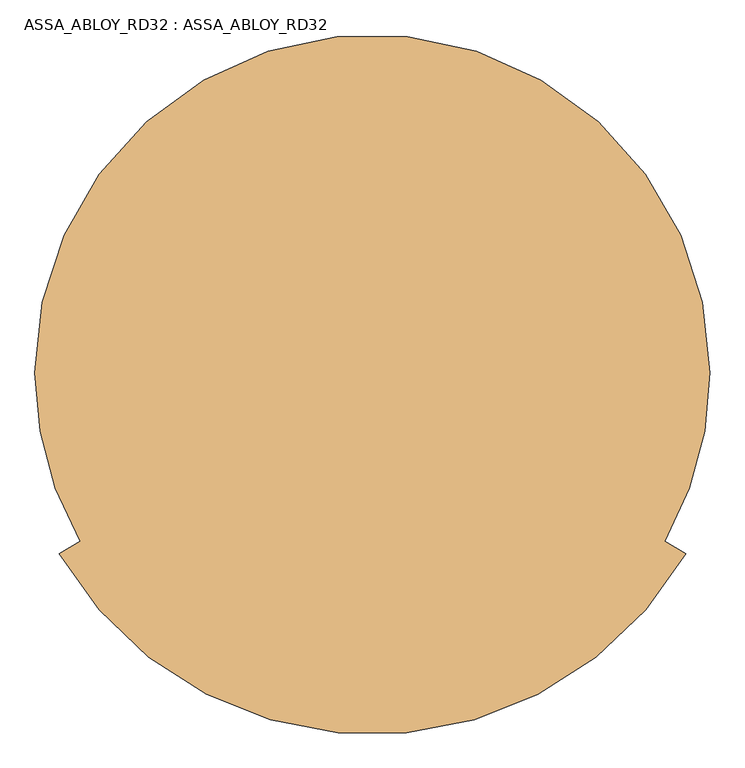
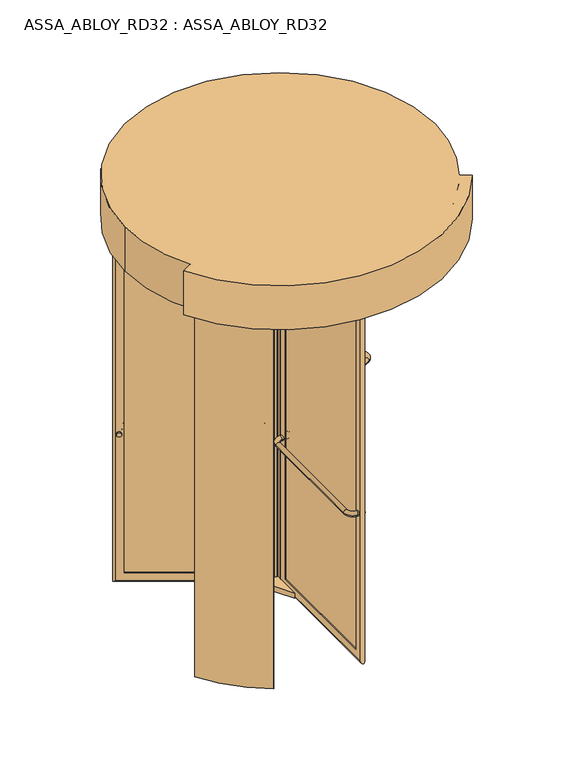
"""IFC4 building model written with IfcOpenShell, lengths in millimetres: door geometry, ASSA_ABLOY_RD32 : ASSA_ABLOY_RD32."""

from ifc_helpers import new_model, si_unit, point, frame, frame_2d, origin, origin_with_axes, origin_2d, place, context, project, spatial, polyline, circle_curve, ellipse_curve, trimmed, segment, composite_curve, outline, extrude, source, transform, mapped, element, save
from ifc_brep_helpers import plane_surface, cylinder_surface, revolved_surface, advanced_brep


def assa_abloy_rd32_assa_abloy_rd32_732df1ab(model_context):
    return source(origin(), model_context, "Body", "SolidModel", [
        advanced_brep(
        [(1125.0, 0.0, 2800.0), (-875.0, 0.0, 2800.0), (-741.0254038, -500.0, 2800.0), (-803.3792329, -536.0, 2800.0), (1053.3792329, -536.0, 2800.0), (991.0254038, -500.0, 2800.0), (-875.0, 0.0, 2500.0), (1125.0, 0.0, 2500.0), (991.0254038, -500.0, 2785.0), (-741.0254038, -500.0, 2785.0), (1053.3792329, -536.0, 2500.0), (1042.986928, -530.0, 2500.0), (1042.986928, -530.0, 2785.0), (-792.986928, -530.0, 2785.0), (-792.986928, -530.0, 2500.0), (-803.3792329, -536.0, 2500.0)],
        [
            (0, 1, circle_curve(frame((125.0, 0.0, 2800.0), z_axis=(0.0, 0.0, 1.0), x_axis=(1.0, 0.0, 0.0)), 1000.0)),
            (1, 2, circle_curve(frame((125.0, 0.0, 2800.0), z_axis=(0.0, 0.0, 1.0), x_axis=(1.0, 0.0, 0.0)), 1000.0)),
            (2, 3),
            (3, 4, circle_curve(frame((125.0, 0.0, 2800.0), z_axis=(0.0, 0.0, 1.0), x_axis=(0.8660254037844377, -0.5000000000000016, 0.0)), 1072.0)),
            (4, 5),
            (5, 0, circle_curve(frame((125.0, 0.0, 2800.0), z_axis=(0.0, 0.0, 1.0), x_axis=(1.0, 0.0, 0.0)), 1000.0)),
            (6, 7, circle_curve(frame((125.0, 0.0, 2500.0), z_axis=(0.0, 0.0, -1.0), x_axis=(1.0, 0.0, 0.0)), 1000.0)),
            (7, 6, circle_curve(frame((125.0, 0.0, 2500.0), z_axis=(0.0, 0.0, -1.0), x_axis=(1.0, 0.0, 0.0)), 1000.0)),
            (0, 7),
            (6, 1),
            (5, 8),
            (8, 9, circle_curve(frame((125.0, 0.0, 2785.0), z_axis=(0.0, 0.0, -1.0), x_axis=(1.0, 0.0, 0.0)), 1000.0)),
            (9, 2),
            (4, 10),
            (10, 11),
            (11, 12),
            (12, 8),
            (13, 14),
            (14, 15),
            (15, 3),
            (9, 13),
            (15, 10, circle_curve(frame((125.0, 0.0, 2500.0), z_axis=(0.0, 0.0, 1.0), x_axis=(0.8660254037844377, -0.5000000000000016, 0.0)), 1072.0)),
            (14, 11, circle_curve(frame((125.0, 0.0, 2500.0), z_axis=(0.0, 0.0, 1.0), x_axis=(0.8660254037844377, -0.5000000000000016, 0.0)), 1060.0)),
            (13, 12, circle_curve(frame((125.0, 0.0, 2785.0), z_axis=(0.0, 0.0, 1.0), x_axis=(0.8660254037844377, -0.5000000000000016, 0.0)), 1060.0)),
        ],
        [
            plane_surface(frame((1125.0, 0.0, 2800.0), z_axis=(0.0, 0.0, 1.0), x_axis=(0.0, 1.0, 0.0))),
            plane_surface(frame((1125.0, 0.0, 2500.0), z_axis=(0.0, 0.0, -1.0), x_axis=(0.0, -1.0, 0.0))),
            cylinder_surface(frame((125.0, 0.0, 2500.0), z_axis=(0.0, 0.0, 1.0), x_axis=(1.0, 0.0, 0.0)), 1000.0),
            plane_surface(frame((988.4273276, -498.5, 2800.0), z_axis=(0.5000000000000017, 0.8660254037844378, 0.0), x_axis=(0.0, 0.0, 1.0))),
            plane_surface(frame((-738.4273276, -498.5, 2800.0), z_axis=(-0.5000000000000142, 0.8660254037844305, 0.0), x_axis=(0.0, 0.0, 1.0))),
            cylinder_surface(frame((125.0, 0.0, 2800.0), z_axis=(0.0, 0.0, -1.0), x_axis=(0.8660254037844377, -0.5000000000000016, 0.0)), 1072.0),
            plane_surface(frame((125.0, 0.0, 2500.0), z_axis=(0.0, 0.0, -1.0000000000000002), x_axis=(0.8660254037844378, -0.5000000000000017, 0.0))),
            revolved_surface(polyline([(1042.986928011504, -530.0000000000016, 2500.0), (1042.986928011504, -530.0000000000016, 2785.0)]), (125.0, 0.0, 2800.0), (0.0, 0.0, -1.0)),
            plane_surface(frame((125.0, 0.0, 2785.0), z_axis=(0.0, 0.0, -1.0000000000000002), x_axis=(0.8660254037844378, -0.5000000000000017, 0.0))),
        ],
        [
            (0, [[1, 2, 3, 4, 5, 6]]),
            (1, [[7, 8]]),
            (2, [[-1, 9, -7, 10]]),
            (2, [[-8, -9, -6, 11, 12, 13, -2, -10]]),
            (3, [[14, 15, 16, 17, -11, -5]]),
            (4, [[18, 19, 20, -3, -13, 21]]),
            (5, [[-14, -4, -20, 22]]),
            (6, [[-15, -22, -19, 23]]),
            (7, [[-16, -23, -18, 24]]),
            (8, [[-24, -21, -12, -17]]),
        ],
    ),
        extrude(outline(composite_curve([segment(trimmed(circle_curve(origin_2d(), 15.0), [point((0.0, 15.0))], [point((0.0, -15.0))], False, "CARTESIAN"), True, "CONTINUOUS"), segment(trimmed(circle_curve(origin_2d(), 15.0), [point((0.0, -15.0))], [point((0.0, 15.0))], False, "CARTESIAN"), True, "CONTINUOUS")], self_intersect=False)), frame((894.6319669, 459.3583302, 1050.0), z_axis=(-0.4999999999999966, 0.8660254037844406, 0.0), x_axis=(0.0, 0.0, 1.0)), (0.0, 0.0, 1.0), 10.0),
        extrude(outline(composite_curve([segment(trimmed(circle_curve(origin_2d(), 15.0), [point((0.0, 15.0))], [point((0.0, -15.0))], False, "CARTESIAN"), True, "CONTINUOUS"), segment(trimmed(circle_curve(origin_2d(), 15.0), [point((0.0, -15.0))], [point((0.0, 15.0))], False, "CARTESIAN"), True, "CONTINUOUS")], self_intersect=False)), frame((163.533321, 37.2583302, 1050.0), z_axis=(-0.4999999999999966, 0.8660254037844406, 0.0), x_axis=(0.0, 0.0, 1.0)), (0.0, 0.0, 1.0), 10.0),
        advanced_brep(
        [(163.5429399, 7.2416698, 1050.0), (189.5237021, 22.2416698, 1050.0), (168.5429399, -1.4185843, 1050.0), (194.5237021, 13.5814157, 1050.0), (235.5044642, 2.6006536, 1050.0), (250.5044642, -23.3801085, 1050.0), (903.6608237, 353.7198915, 1050.0), (888.6608237, 379.7006536, 1050.0), (899.6415858, 420.6814157, 1050.0), (925.6223479, 435.6814157, 1050.0), (920.6223479, 444.3416698, 1050.0), (894.6415858, 429.3416698, 1050.0)],
        [
            (0, 1, circle_curve(frame((176.533321, 14.7416698, 1050.0), z_axis=(-0.4999999999999966, 0.8660254037844406, 0.0), x_axis=(0.8660254037844406, 0.4999999999999966, 0.0)), 15.0)),
            (1, 0, circle_curve(frame((176.533321, 14.7416698, 1050.0), z_axis=(-0.4999999999999966, 0.8660254037844406, 0.0), x_axis=(0.8660254037844406, 0.4999999999999966, 0.0)), 15.0)),
            (0, 2),
            (2, 3, circle_curve(frame((181.533321, 6.0814157, 1050.0), z_axis=(-0.4999999999999966, 0.8660254037844406, 0.0), x_axis=(0.8660254037844406, 0.4999999999999966, 0.0)), 15.0)),
            (3, 1),
            (3, 2, circle_curve(frame((181.533321, 6.0814157, 1050.0), z_axis=(-0.4999999999999966, 0.8660254037844406, 0.0), x_axis=(0.8660254037844406, 0.4999999999999966, 0.0)), 15.0)),
            (4, 3, circle_curve(frame((220.5044642, 28.5814157, 1050.0), z_axis=(0.0, 0.0, -1.0), x_axis=(-0.8660254037844438, -0.499999999999991, 0.0)), 30.0)),
            (2, 5, circle_curve(frame((220.5044642, 28.5814157, 1050.0), z_axis=(0.0, 0.0, 1.0), x_axis=(-0.8660254037844438, -0.499999999999991, 0.0)), 60.0)),
            (5, 4, circle_curve(frame((243.0044642, -10.3897275, 1050.0), z_axis=(-0.8660254037844638, -0.49999999999995637, 0.0), x_axis=(-0.49999999999995637, 0.8660254037844638, 0.0)), 15.0)),
            (4, 5, circle_curve(frame((243.0044642, -10.3897275, 1050.0), z_axis=(-0.866025403784482, -0.4999999999999248, 0.0), x_axis=(-0.4999999999999248, 0.866025403784482, 0.0)), 15.0)),
            (5, 6),
            (6, 7, circle_curve(frame((896.1608237, 366.7102725, 1050.0), z_axis=(-0.8660254037844406, -0.4999999999999966, 0.0), x_axis=(-0.4999999999999966, 0.8660254037844406, 0.0)), 15.0)),
            (7, 4),
            (7, 6, circle_curve(frame((896.1608237, 366.7102725, 1050.0), z_axis=(-0.8660254037844406, -0.4999999999999966, 0.0), x_axis=(-0.4999999999999966, 0.8660254037844406, 0.0)), 15.0)),
            (8, 7, circle_curve(frame((873.6608237, 405.6814157, 1050.0), z_axis=(0.0, 0.0, -1.0), x_axis=(0.4999999999999914, -0.8660254037844436, 0.0)), 30.0)),
            (6, 9, circle_curve(frame((873.6608237, 405.6814157, 1050.0), z_axis=(0.0, 0.0, 1.0), x_axis=(0.4999999999999914, -0.8660254037844436, 0.0)), 60.0)),
            (9, 8, circle_curve(frame((912.6319669, 428.1814157, 1050.0), z_axis=(0.4999999999999946, -0.8660254037844417, 0.0), x_axis=(-0.8660254037844417, -0.4999999999999946, 0.0)), 15.0)),
            (8, 9, circle_curve(frame((912.6319669, 428.1814157, 1050.0), z_axis=(0.4999999999999925, -0.8660254037844429, 0.0), x_axis=(-0.8660254037844429, -0.4999999999999925, 0.0)), 15.0)),
            (10, 11, circle_curve(frame((907.6319669, 436.8416698, 1050.0), z_axis=(-0.4999999999999966, 0.8660254037844406, 0.0), x_axis=(-0.8660254037844406, -0.4999999999999966, 0.0)), 15.0)),
            (11, 10, circle_curve(frame((907.6319669, 436.8416698, 1050.0), z_axis=(-0.4999999999999966, 0.8660254037844406, 0.0), x_axis=(-0.8660254037844406, -0.4999999999999966, 0.0)), 15.0)),
            (9, 10),
            (11, 8),
        ],
        [
            plane_surface(frame((176.533321, 14.7416698, 1050.0), z_axis=(-0.4999999999999966, 0.8660254037844406, 0.0), x_axis=(0.0, 0.0, 1.0))),
            cylinder_surface(frame((176.533321, 14.7416698, 1050.0), z_axis=(-0.4999999999999966, 0.8660254037844406, 0.0), x_axis=(0.8660254037844406, 0.4999999999999966, 0.0)), 15.0),
            revolved_surface(trimmed(ellipse_curve(frame((181.533321, 6.0814157, 1050.0), z_axis=(-0.499999999999991, 0.8660254037844438, 0.0), x_axis=(0.8660254037844438, 0.499999999999991, 0.0)), 15.0, 15.0), [point((168.5429399, -1.4185843, 1050.0))], [point((194.5237021, 13.5814157, 1050.0))], True, "CARTESIAN"), (220.5044642, 28.5814157, 1050.0), (0.0, 0.0, 1.0)),
            revolved_surface(trimmed(ellipse_curve(frame((181.533321, 6.0814157, 1050.0), z_axis=(-0.499999999999991, 0.8660254037844438, 0.0), x_axis=(0.8660254037844438, 0.499999999999991, 0.0)), 15.0, 15.0), [point((194.5237021, 13.5814157, 1050.0))], [point((168.5429399, -1.4185843, 1050.0))], True, "CARTESIAN"), (220.5044642, 28.5814157, 1050.0), (0.0, 0.0, 1.0)),
            cylinder_surface(frame((243.0044642, -10.3897275, 1050.0), z_axis=(-0.8660254037844406, -0.4999999999999966, 0.0), x_axis=(-0.4999999999999966, 0.8660254037844406, 0.0)), 15.0),
            revolved_surface(trimmed(ellipse_curve(frame((896.1608237, 366.7102725, 1050.0), z_axis=(-0.8660254037844436, -0.4999999999999914, 0.0), x_axis=(-0.4999999999999914, 0.8660254037844436, 0.0)), 15.0, 15.0), [point((903.6608237, 353.7198915, 1050.0))], [point((888.6608237, 379.7006536, 1050.0))], True, "CARTESIAN"), (873.6608237, 405.6814157, 1050.0), (0.0, 0.0, 1.0)),
            revolved_surface(trimmed(ellipse_curve(frame((896.1608237, 366.7102725, 1050.0), z_axis=(-0.8660254037844436, -0.4999999999999914, 0.0), x_axis=(-0.4999999999999914, 0.8660254037844436, 0.0)), 15.0, 15.0), [point((888.6608237, 379.7006536, 1050.0))], [point((903.6608237, 353.7198915, 1050.0))], True, "CARTESIAN"), (873.6608237, 405.6814157, 1050.0), (0.0, 0.0, 1.0)),
            plane_surface(frame((907.6319669, 436.8416698, 1050.0), z_axis=(-0.4999999999999966, 0.8660254037844406, 0.0), x_axis=(0.0, 0.0, 1.0))),
            cylinder_surface(frame((912.6319669, 428.1814157, 1050.0), z_axis=(0.4999999999999966, -0.8660254037844406, 0.0), x_axis=(-0.8660254037844406, -0.4999999999999966, 0.0)), 15.0),
        ],
        [
            (0, [[1, 2]]),
            (1, [[-1, 3, 4, 5]]),
            (1, [[-2, -5, 6, -3]]),
            (2, [[7, -4, 8, 9]]),
            (3, [[-8, -6, -7, 10]]),
            (4, [[-9, 11, 12, 13]]),
            (4, [[-10, -13, 14, -11]]),
            (5, [[15, -12, 16, 17]]),
            (6, [[-16, -14, -15, 18]]),
            (7, [[19, 20]]),
            (8, [[-17, 21, -20, 22]]),
            (8, [[-18, -22, -19, -21]]),
        ],
    ),
        advanced_brep(
        [(881.0172302, 424.939746, 105.0), (882.5172302, 422.3416698, 105.0), (882.5172302, 422.3416698, 2395.0), (881.0172302, 424.939746, 2395.0), (888.3377382, 452.260254, 85.0), (898.3377382, 434.939746, 85.0), (898.3377382, 434.939746, 2415.0), (888.3377382, 452.260254, 2415.0), (869.5172302, 444.8583302, 105.0), (871.0172302, 442.260254, 105.0), (871.0172302, 442.260254, 2395.0), (869.5172302, 444.8583302, 2395.0), (927.5505512, 448.3416698, 53.0), (914.5505512, 470.8583302, 53.0), (914.5505512, 470.8583302, 2447.0), (927.5505512, 448.3416698, 2447.0), (201.6480577, 29.2416698, 2395.0), (200.1480577, 31.839746, 2395.0), (182.8275496, 21.839746, 2415.0), (172.8275496, 39.160254, 2415.0), (190.1480577, 49.160254, 2395.0), (188.6480577, 51.7583302, 2395.0), (143.6147367, 25.7583302, 2447.0), (156.6147367, 3.2416698, 2447.0), (201.6480577, 29.2416698, 105.0), (200.1480577, 31.839746, 105.0), (182.8275496, 21.839746, 85.0), (172.8275496, 39.160254, 85.0), (190.1480577, 49.160254, 105.0), (188.6480577, 51.7583302, 105.0), (143.6147367, 25.7583302, 53.0), (156.6147367, 3.2416698, 53.0)],
        [
            (0, 1),
            (1, 2),
            (2, 3),
            (3, 0),
            (4, 5),
            (5, 6),
            (6, 7),
            (7, 4),
            (8, 9),
            (9, 10),
            (10, 11),
            (11, 8),
            (12, 13, ellipse_curve(frame((921.0505512, 459.6, 53.0), z_axis=(0.6123724356958007, 0.35355339059326285, 0.7071067811865475), x_axis=(0.6123724356957908, 0.3535533905932797, -0.7071067811865477)), 18.3847763, 13.0)),
            (13, 14),
            (14, 15, ellipse_curve(frame((921.0505512, 459.6, 2447.0), z_axis=(0.612372435695791, 0.3535533905932798, -0.7071067811865475), x_axis=(-0.6123724356958007, -0.3535533905932628, -0.7071067811865476)), 18.3847763, 13.0)),
            (15, 12),
            (2, 16),
            (16, 17),
            (17, 3),
            (6, 18),
            (18, 19),
            (19, 7),
            (10, 20),
            (20, 21),
            (21, 11),
            (14, 22),
            (22, 23, ellipse_curve(frame((150.1147367, 14.5, 2447.0), z_axis=(0.6123724356958007, 0.35355339059326285, 0.7071067811865475), x_axis=(0.6123724356957913, 0.35355339059327995, -0.7071067811865472)), 18.3847763, 13.0)),
            (23, 15),
            (16, 24),
            (24, 25),
            (25, 17),
            (18, 26),
            (26, 27),
            (27, 19),
            (20, 28),
            (28, 29),
            (29, 21),
            (22, 30),
            (30, 31, ellipse_curve(frame((150.1147367, 14.5, 53.0), z_axis=(-0.612372435695791, -0.3535533905932798, 0.7071067811865475), x_axis=(0.6123724356958007, 0.3535533905932628, 0.7071067811865476)), 18.3847763, 13.0)),
            (31, 23),
            (24, 1),
            (0, 25),
            (5, 26),
            (4, 27),
            (9, 28),
            (8, 29),
            (13, 30),
            (12, 31),
        ],
        [
            plane_surface(frame((882.5172302, 422.3416698, 105.0), z_axis=(-0.8660254037844419, -0.49999999999999445, 0.0), x_axis=(0.0, 0.0, 1.0))),
            plane_surface(frame((898.3377382, 434.939746, 85.0), z_axis=(-0.8660254037844408, -0.4999999999999964, 0.0), x_axis=(0.0, 0.0, 1.0))),
            plane_surface(frame((871.0172302, 442.260254, 105.0), z_axis=(-0.8660254037844419, -0.49999999999999445, 0.0), x_axis=(0.0, 0.0, 1.0))),
            cylinder_surface(frame((921.0505512, 459.6, 40.0), z_axis=(0.0, 0.0, -1.0), x_axis=(-0.8660254037844406, -0.4999999999999966, 0.0)), 13.0),
            plane_surface(frame((882.5172302, 422.3416698, 2395.0), z_axis=(0.0, 0.0, -1.0), x_axis=(-0.8660254037844406, -0.4999999999999966, 0.0))),
            plane_surface(frame((898.3377382, 434.939746, 2415.0), z_axis=(0.0, 0.0, -1.0), x_axis=(-0.8660254037844406, -0.4999999999999966, 0.0))),
            plane_surface(frame((871.0172302, 442.260254, 2395.0), z_axis=(0.0, 0.0, -1.0), x_axis=(-0.8660254037844406, -0.4999999999999966, 0.0))),
            cylinder_surface(frame((932.3088814, 466.1, 2447.0), z_axis=(0.8660254037844406, 0.4999999999999966, 0.0), x_axis=(0.0, 0.0, -1.0)), 13.0),
            plane_surface(frame((201.6480577, 29.2416698, 2395.0), z_axis=(0.8660254037844394, 0.49999999999999883, 0.0), x_axis=(0.0, 0.0, -1.0))),
            plane_surface(frame((182.8275496, 21.839746, 2415.0), z_axis=(0.8660254037844405, 0.4999999999999969, 0.0), x_axis=(0.0, 0.0, -1.0))),
            plane_surface(frame((190.1480577, 49.160254, 2395.0), z_axis=(0.8660254037844394, 0.49999999999999883, 0.0), x_axis=(0.0, 0.0, -1.0))),
            cylinder_surface(frame((150.1147367, 14.5, 2460.0), z_axis=(0.0, 0.0, 1.0), x_axis=(0.8660254037844406, 0.4999999999999966, 0.0)), 13.0),
            plane_surface(frame((201.6480577, 29.2416698, 105.0), z_axis=(0.0, 0.0, 1.0), x_axis=(0.8660254037844406, 0.4999999999999966, 0.0))),
            plane_surface(frame((200.1480577, 31.839746, 105.0), z_axis=(-0.4999999999999966, 0.8660254037844406, 0.0), x_axis=(0.8660254037844406, 0.4999999999999966, 0.0))),
            plane_surface(frame((182.8275496, 21.839746, 85.0), z_axis=(0.0, 0.0, 1.0), x_axis=(0.8660254037844406, 0.4999999999999966, 0.0))),
            plane_surface(frame((172.8275496, 39.160254, 85.0), z_axis=(0.4999999999999966, -0.8660254037844406, 0.0), x_axis=(0.8660254037844406, 0.4999999999999966, 0.0))),
            plane_surface(frame((190.1480577, 49.160254, 105.0), z_axis=(0.0, 0.0, 1.0), x_axis=(0.8660254037844406, 0.4999999999999966, 0.0))),
            plane_surface(frame((188.6480577, 51.7583302, 105.0), z_axis=(-0.4999999999999966, 0.8660254037844406, 0.0), x_axis=(0.8660254037844406, 0.4999999999999966, 0.0))),
            cylinder_surface(frame((138.8564065, 8.0, 53.0), z_axis=(-0.8660254037844406, -0.4999999999999966, 0.0), x_axis=(0.0, 0.0, 1.0)), 13.0),
            plane_surface(frame((156.6147367, 3.2416698, 53.0), z_axis=(0.4999999999999966, -0.8660254037844406, 0.0), x_axis=(0.8660254037844406, 0.4999999999999966, 0.0))),
        ],
        [
            (0, [[1, 2, 3, 4]]),
            (1, [[5, 6, 7, 8]]),
            (2, [[9, 10, 11, 12]]),
            (3, [[13, 14, 15, 16]]),
            (4, [[-3, 17, 18, 19]]),
            (5, [[-7, 20, 21, 22]]),
            (6, [[-11, 23, 24, 25]]),
            (7, [[-15, 26, 27, 28]]),
            (8, [[-18, 29, 30, 31]]),
            (9, [[-21, 32, 33, 34]]),
            (10, [[-24, 35, 36, 37]]),
            (11, [[-27, 38, 39, 40]]),
            (12, [[-30, 41, -1, 42]]),
            (13, [[43, -32, -20, -6], [-19, -31, -42, -4]]),
            (14, [[-33, -43, -5, 44]]),
            (15, [[-22, -34, -44, -8], [45, -35, -23, -10]]),
            (16, [[-36, -45, -9, 46]]),
            (17, [[47, -38, -26, -14], [-25, -37, -46, -12]]),
            (18, [[-39, -47, -13, 48]]),
            (19, [[-28, -40, -48, -16], [-41, -29, -17, -2]]),
        ],
    ),
        extrude(outline(polyline([(890.8377382, 447.930127), (895.8377382, 439.269873), (180.3275496, 26.169873), (175.3275496, 34.830127), (890.8377382, 447.930127)])), frame((0.0, 0.0, 85.0), z_axis=(0.0, 0.0, 1.0), x_axis=(1.0, 0.0, 0.0)), (0.0, 0.0, 1.0), 2330.0),
        extrude(outline(composite_curve([segment(trimmed(circle_curve(origin_2d(), 15.0), [point((0.0, -15.0))], [point((0.0, 15.0))], False, "CARTESIAN"), True, "CONTINUOUS"), segment(trimmed(circle_curve(origin_2d(), 15.0), [point((0.0, 15.0))], [point((0.0, -15.0))], False, "CARTESIAN"), True, "CONTINUOUS")], self_intersect=False)), frame((-662.6319669, 428.1814157, 1050.0), z_axis=(0.49999999999999417, 0.866025403784442, 0.0), x_axis=(0.0, 0.0, 1.0)), (0.0, 0.0, 1.0), 10.0),
        extrude(outline(composite_curve([segment(trimmed(circle_curve(origin_2d(), 15.0), [point((0.0, -15.0))], [point((0.0, 15.0))], False, "CARTESIAN"), True, "CONTINUOUS"), segment(trimmed(circle_curve(origin_2d(), 15.0), [point((0.0, 15.0))], [point((0.0, -15.0))], False, "CARTESIAN"), True, "CONTINUOUS")], self_intersect=False)), frame((68.466679, 6.0814157, 1050.0), z_axis=(0.49999999999999417, 0.866025403784442, 0.0), x_axis=(0.0, 0.0, 1.0)), (0.0, 0.0, 1.0), 10.0),
        advanced_brep(
        [(99.4570601, 29.7583302, 1050.0), (73.4762979, 44.7583302, 1050.0), (104.4570601, 38.4185843, 1050.0), (78.4762979, 53.4185843, 1050.0), (67.4955358, 94.3993464, 1050.0), (82.4955358, 120.3801085, 1050.0), (-570.6608237, 497.4801085, 1050.0), (-585.6608237, 471.4993464, 1050.0), (-626.6415858, 460.5185843, 1050.0), (-652.6223479, 475.5185843, 1050.0), (-657.6223479, 466.8583302, 1050.0), (-631.6415858, 451.8583302, 1050.0)],
        [
            (0, 1, circle_curve(frame((86.466679, 37.2583302, 1050.0), z_axis=(-0.49999999999999417, -0.866025403784442, 0.0), x_axis=(-0.8660254037844415, 0.49999999999999384, 0.0)), 15.0)),
            (1, 0, circle_curve(frame((86.466679, 37.2583302, 1050.0), z_axis=(-0.49999999999999417, -0.866025403784442, 0.0), x_axis=(-0.8660254037844415, 0.49999999999999384, 0.0)), 15.0)),
            (0, 2),
            (2, 3, circle_curve(frame((91.466679, 45.9185843, 1050.0), z_axis=(-0.49999999999999417, -0.866025403784442, 0.0), x_axis=(-0.8660254037844415, 0.49999999999999384, 0.0)), 15.0)),
            (3, 1),
            (3, 2, circle_curve(frame((91.466679, 45.9185843, 1050.0), z_axis=(-0.49999999999999417, -0.866025403784442, 0.0), x_axis=(-0.8660254037844415, 0.49999999999999384, 0.0)), 15.0)),
            (4, 3, circle_curve(frame((52.4955358, 68.4185843, 1050.0), z_axis=(0.0, 0.0, -1.0), x_axis=(0.8660254037844383, -0.49999999999999944, 0.0)), 30.0)),
            (2, 5, circle_curve(frame((52.4955358, 68.4185843, 1050.0), z_axis=(0.0, 0.0, 1.0), x_axis=(0.8660254037844383, -0.49999999999999944, 0.0)), 60.0)),
            (5, 4, circle_curve(frame((74.9955358, 107.3897275, 1050.0), z_axis=(0.8660254037844182, -0.5000000000000342, 0.0), x_axis=(-0.5000000000000342, -0.8660254037844182, 0.0)), 15.0)),
            (4, 5, circle_curve(frame((74.9955358, 107.3897275, 1050.0), z_axis=(0.8660254037844, -0.5000000000000657, 0.0), x_axis=(-0.5000000000000657, -0.8660254037844, 0.0)), 15.0)),
            (5, 6),
            (6, 7, circle_curve(frame((-578.1608237, 484.4897275, 1050.0), z_axis=(0.866025403784442, -0.49999999999999417, 0.0), x_axis=(-0.49999999999999384, -0.8660254037844415, 0.0)), 15.0)),
            (7, 4),
            (7, 6, circle_curve(frame((-578.1608237, 484.4897275, 1050.0), z_axis=(0.866025403784442, -0.49999999999999417, 0.0), x_axis=(-0.49999999999999384, -0.8660254037844415, 0.0)), 15.0)),
            (8, 7, circle_curve(frame((-600.6608237, 445.5185843, 1050.0), z_axis=(0.0, 0.0, -1.0), x_axis=(0.49999999999999906, 0.8660254037844385, 0.0)), 30.0)),
            (6, 9, circle_curve(frame((-600.6608237, 445.5185843, 1050.0), z_axis=(0.0, 0.0, 1.0), x_axis=(0.49999999999999906, 0.8660254037844385, 0.0)), 60.0)),
            (9, 8, circle_curve(frame((-639.6319669, 468.0185843, 1050.0), z_axis=(0.49999999999999584, 0.8660254037844404, 0.0), x_axis=(0.8660254037844404, -0.49999999999999584, 0.0)), 15.0)),
            (8, 9, circle_curve(frame((-639.6319669, 468.0185843, 1050.0), z_axis=(0.49999999999999795, 0.8660254037844392, 0.0), x_axis=(0.8660254037844392, -0.49999999999999795, 0.0)), 15.0)),
            (10, 11, circle_curve(frame((-644.6319669, 459.3583302, 1050.0), z_axis=(-0.49999999999999417, -0.866025403784442, 0.0), x_axis=(0.8660254037844415, -0.49999999999999384, 0.0)), 15.0)),
            (11, 10, circle_curve(frame((-644.6319669, 459.3583302, 1050.0), z_axis=(-0.49999999999999417, -0.866025403784442, 0.0), x_axis=(0.8660254037844415, -0.49999999999999384, 0.0)), 15.0)),
            (9, 10),
            (11, 8),
        ],
        [
            plane_surface(frame((86.466679, 37.2583302, 1050.0), z_axis=(-0.49999999999999417, -0.866025403784442, 0.0), x_axis=(0.0, 0.0, 1.0))),
            cylinder_surface(frame((86.466679, 37.2583302, 1050.0), z_axis=(-0.49999999999999384, -0.8660254037844415, 0.0), x_axis=(-0.8660254037844415, 0.49999999999999384, 0.0)), 15.0),
            revolved_surface(trimmed(ellipse_curve(frame((91.466679, 45.9185843, 1050.0), z_axis=(-0.4999999999999995, -0.8660254037844383, 0.0), x_axis=(-0.8660254037844383, 0.4999999999999995, 0.0)), 15.0, 15.0), [point((104.4570601, 38.4185843, 1050.0))], [point((78.4762979, 53.4185843, 1050.0))], True, "CARTESIAN"), (52.4955358, 68.4185843, 1050.0), (0.0, 0.0, 1.0)),
            revolved_surface(trimmed(ellipse_curve(frame((91.466679, 45.9185843, 1050.0), z_axis=(-0.4999999999999995, -0.8660254037844383, 0.0), x_axis=(-0.8660254037844383, 0.4999999999999995, 0.0)), 15.0, 15.0), [point((78.4762979, 53.4185843, 1050.0))], [point((104.4570601, 38.4185843, 1050.0))], True, "CARTESIAN"), (52.4955358, 68.4185843, 1050.0), (0.0, 0.0, 1.0)),
            cylinder_surface(frame((74.9955358, 107.3897275, 1050.0), z_axis=(0.8660254037844415, -0.49999999999999384, 0.0), x_axis=(-0.49999999999999384, -0.8660254037844415, 0.0)), 15.0),
            revolved_surface(trimmed(ellipse_curve(frame((-578.1608237, 484.4897275, 1050.0), z_axis=(0.8660254037844385, -0.49999999999999906, 0.0), x_axis=(-0.49999999999999906, -0.8660254037844385, 0.0)), 15.0, 15.0), [point((-570.6608237, 497.4801085, 1050.0))], [point((-585.6608237, 471.4993464, 1050.0))], True, "CARTESIAN"), (-600.6608237, 445.5185843, 1050.0), (0.0, 0.0, 1.0)),
            revolved_surface(trimmed(ellipse_curve(frame((-578.1608237, 484.4897275, 1050.0), z_axis=(0.8660254037844385, -0.49999999999999906, 0.0), x_axis=(-0.49999999999999906, -0.8660254037844385, 0.0)), 15.0, 15.0), [point((-585.6608237, 471.4993464, 1050.0))], [point((-570.6608237, 497.4801085, 1050.0))], True, "CARTESIAN"), (-600.6608237, 445.5185843, 1050.0), (0.0, 0.0, 1.0)),
            plane_surface(frame((-644.6319669, 459.3583302, 1050.0), z_axis=(-0.49999999999999417, -0.866025403784442, 0.0), x_axis=(0.0, 0.0, 1.0))),
            cylinder_surface(frame((-639.6319669, 468.0185843, 1050.0), z_axis=(0.49999999999999384, 0.8660254037844415, 0.0), x_axis=(0.8660254037844415, -0.49999999999999384, 0.0)), 15.0),
        ],
        [
            (0, [[1, 2]]),
            (1, [[-1, 3, 4, 5]]),
            (1, [[-2, -5, 6, -3]]),
            (2, [[7, -4, 8, 9]]),
            (3, [[-8, -6, -7, 10]]),
            (4, [[-9, 11, 12, 13]]),
            (4, [[-10, -13, 14, -11]]),
            (5, [[15, -12, 16, 17]]),
            (6, [[-16, -14, -15, 18]]),
            (7, [[19, 20]]),
            (8, [[-17, 21, -20, 22]]),
            (8, [[-18, -22, -19, -21]]),
        ],
    ),
        advanced_brep(
        [(-621.0172302, 442.260254, 105.0), (-619.5172302, 444.8583302, 105.0), (-619.5172302, 444.8583302, 2395.0), (-621.0172302, 442.260254, 2395.0), (-648.3377382, 434.939746, 85.0), (-638.3377382, 452.260254, 85.0), (-638.3377382, 452.260254, 2415.0), (-648.3377382, 434.939746, 2415.0), (-632.5172302, 422.3416698, 105.0), (-631.0172302, 424.939746, 105.0), (-631.0172302, 424.939746, 2395.0), (-632.5172302, 422.3416698, 2395.0), (-664.5505512, 470.8583302, 53.0), (-677.5505512, 448.3416698, 53.0), (-677.5505512, 448.3416698, 2447.0), (-664.5505512, 470.8583302, 2447.0), (61.3519423, 51.7583302, 2395.0), (59.8519423, 49.160254, 2395.0), (77.1724504, 39.160254, 2415.0), (67.1724504, 21.839746, 2415.0), (49.8519423, 31.839746, 2395.0), (48.3519423, 29.2416698, 2395.0), (93.3852633, 3.2416698, 2447.0), (106.3852633, 25.7583302, 2447.0), (61.3519423, 51.7583302, 105.0), (59.8519423, 49.160254, 105.0), (77.1724504, 39.160254, 85.0), (67.1724504, 21.839746, 85.0), (49.8519423, 31.839746, 105.0), (48.3519423, 29.2416698, 105.0), (93.3852633, 3.2416698, 53.0), (106.3852633, 25.7583302, 53.0)],
        [
            (0, 1),
            (1, 2),
            (2, 3),
            (3, 0),
            (4, 5),
            (5, 6),
            (6, 7),
            (7, 4),
            (8, 9),
            (9, 10),
            (10, 11),
            (11, 8),
            (12, 13, ellipse_curve(frame((-671.0505512, 459.6, 53.0), z_axis=(-0.612372435695792, 0.35355339059327806, 0.7071067811865475), x_axis=(-0.6123724356958017, 0.3535533905932611, -0.7071067811865476)), 18.3847763, 13.0)),
            (13, 14),
            (14, 15, ellipse_curve(frame((-671.0505512, 459.6, 2447.0), z_axis=(-0.6123724356958017, 0.35355339059326113, -0.7071067811865475), x_axis=(0.6123724356957919, -0.353553390593278, -0.7071067811865477)), 18.3847763, 13.0)),
            (15, 12),
            (2, 16),
            (16, 17),
            (17, 3),
            (6, 18),
            (18, 19),
            (19, 7),
            (10, 20),
            (20, 21),
            (21, 11),
            (14, 22),
            (22, 23, ellipse_curve(frame((99.8852633, 14.5, 2447.0), z_axis=(-0.612372435695792, 0.35355339059327806, 0.7071067811865475), x_axis=(-0.6123724356958017, 0.3535533905932612, -0.7071067811865475)), 18.3847763, 13.0)),
            (23, 15),
            (16, 24),
            (24, 25),
            (25, 17),
            (18, 26),
            (26, 27),
            (27, 19),
            (20, 28),
            (28, 29),
            (29, 21),
            (22, 30),
            (30, 31, ellipse_curve(frame((99.8852633, 14.5, 53.0), z_axis=(0.6123724356958017, -0.35355339059326113, 0.7071067811865475), x_axis=(-0.6123724356957919, 0.353553390593278, 0.7071067811865477)), 18.3847763, 13.0)),
            (31, 23),
            (24, 1),
            (0, 25),
            (5, 26),
            (4, 27),
            (9, 28),
            (8, 29),
            (13, 30),
            (12, 31),
        ],
        [
            plane_surface(frame((-619.5172302, 444.8583302, 105.0), z_axis=(0.8660254037844408, -0.4999999999999964, 0.0), x_axis=(0.0, 0.0, 1.0))),
            plane_surface(frame((-638.3377382, 452.260254, 85.0), z_axis=(0.8660254037844419, -0.49999999999999445, 0.0), x_axis=(0.0, 0.0, 1.0))),
            plane_surface(frame((-631.0172302, 424.939746, 105.0), z_axis=(0.8660254037844408, -0.4999999999999964, 0.0), x_axis=(0.0, 0.0, 1.0))),
            cylinder_surface(frame((-671.0505512, 459.6, 40.0), z_axis=(0.0, 0.0, -1.0), x_axis=(0.8660254037844415, -0.49999999999999384, 0.0)), 13.0),
            plane_surface(frame((-619.5172302, 444.8583302, 2395.0), z_axis=(0.0, 0.0, -1.0), x_axis=(0.866025403784442, -0.49999999999999417, 0.0))),
            plane_surface(frame((-638.3377382, 452.260254, 2415.0), z_axis=(0.0, 0.0, -1.0), x_axis=(0.866025403784442, -0.49999999999999417, 0.0))),
            plane_surface(frame((-631.0172302, 424.939746, 2395.0), z_axis=(0.0, 0.0, -1.0), x_axis=(0.866025403784442, -0.49999999999999417, 0.0))),
            cylinder_surface(frame((-682.3088814, 466.1, 2447.0), z_axis=(-0.8660254037844415, 0.49999999999999384, 0.0), x_axis=(0.0, 0.0, -1.0)), 13.0),
            plane_surface(frame((61.3519423, 51.7583302, 2395.0), z_axis=(-0.8660254037844433, 0.49999999999999195, 0.0), x_axis=(0.0, 0.0, -1.0))),
            plane_surface(frame((77.1724504, 39.160254, 2415.0), z_axis=(-0.8660254037844421, 0.4999999999999939, 0.0), x_axis=(0.0, 0.0, -1.0))),
            plane_surface(frame((49.8519423, 31.839746, 2395.0), z_axis=(-0.8660254037844433, 0.49999999999999195, 0.0), x_axis=(0.0, 0.0, -1.0))),
            cylinder_surface(frame((99.8852633, 14.5, 2460.0), z_axis=(0.0, 0.0, 1.0), x_axis=(-0.8660254037844415, 0.49999999999999384, 0.0)), 13.0),
            plane_surface(frame((61.3519423, 51.7583302, 105.0), z_axis=(0.0, 0.0, 1.0), x_axis=(-0.866025403784442, 0.49999999999999417, 0.0))),
            plane_surface(frame((59.8519423, 49.160254, 105.0), z_axis=(-0.49999999999999417, -0.866025403784442, 0.0), x_axis=(-0.866025403784442, 0.49999999999999417, 0.0))),
            plane_surface(frame((77.1724504, 39.160254, 85.0), z_axis=(0.0, 0.0, 1.0), x_axis=(-0.866025403784442, 0.49999999999999417, 0.0))),
            plane_surface(frame((67.1724504, 21.839746, 85.0), z_axis=(0.49999999999999417, 0.866025403784442, 0.0), x_axis=(-0.866025403784442, 0.49999999999999417, 0.0))),
            plane_surface(frame((49.8519423, 31.839746, 105.0), z_axis=(0.0, 0.0, 1.0), x_axis=(-0.866025403784442, 0.49999999999999417, 0.0))),
            plane_surface(frame((48.3519423, 29.2416698, 105.0), z_axis=(-0.49999999999999417, -0.866025403784442, 0.0), x_axis=(-0.866025403784442, 0.49999999999999417, 0.0))),
            cylinder_surface(frame((111.1435935, 8.0, 53.0), z_axis=(0.8660254037844415, -0.49999999999999384, 0.0), x_axis=(0.0, 0.0, 1.0)), 13.0),
            plane_surface(frame((106.3852633, 25.7583302, 53.0), z_axis=(0.49999999999999417, 0.866025403784442, 0.0), x_axis=(-0.866025403784442, 0.49999999999999417, 0.0))),
        ],
        [
            (0, [[1, 2, 3, 4]]),
            (1, [[5, 6, 7, 8]]),
            (2, [[9, 10, 11, 12]]),
            (3, [[13, 14, 15, 16]]),
            (4, [[-3, 17, 18, 19]]),
            (5, [[-7, 20, 21, 22]]),
            (6, [[-11, 23, 24, 25]]),
            (7, [[-15, 26, 27, 28]]),
            (8, [[-18, 29, 30, 31]]),
            (9, [[-21, 32, 33, 34]]),
            (10, [[-24, 35, 36, 37]]),
            (11, [[-27, 38, 39, 40]]),
            (12, [[-30, 41, -1, 42]]),
            (13, [[43, -32, -20, -6], [-19, -31, -42, -4]]),
            (14, [[-33, -43, -5, 44]]),
            (15, [[-22, -34, -44, -8], [45, -35, -23, -10]]),
            (16, [[-36, -45, -9, 46]]),
            (17, [[47, -38, -26, -14], [-25, -37, -46, -12]]),
            (18, [[-39, -47, -13, 48]]),
            (19, [[-28, -40, -48, -16], [-41, -29, -17, -2]]),
        ],
    ),
        extrude(outline(polyline([(-645.8377382, 439.269873), (-640.8377382, 447.930127), (74.6724504, 34.830127), (69.6724504, 26.169873), (-645.8377382, 439.269873)])), frame((0.0, 0.0, 85.0), z_axis=(0.0, 0.0, 1.0), x_axis=(1.0, 0.0, 0.0)), (0.0, 0.0, 1.0), 2330.0),
        extrude(outline(composite_curve([segment(trimmed(circle_curve(frame_2d((-896.2, 1050.0)), 15.0), [point((-911.2, 1050.0))], [point((-881.2, 1050.0))], False, "CARTESIAN"), True, "CONTINUOUS"), segment(trimmed(circle_curve(frame_2d((-896.2, 1050.0)), 15.0), [point((-881.2, 1050.0))], [point((-911.2, 1050.0))], False, "CARTESIAN"), True, "CONTINUOUS")], self_intersect=False)), frame((138.0, 0.0, 0.0), z_axis=(1.0, 0.0, 0.0), x_axis=(0.0, 1.0, 0.0)), (0.0, 0.0, 1.0), 10.0),
        extrude(outline(composite_curve([segment(trimmed(circle_curve(frame_2d((-52.0, 1050.0)), 15.0), [point((-67.0, 1050.0))], [point((-37.0, 1050.0))], False, "CARTESIAN"), True, "CONTINUOUS"), segment(trimmed(circle_curve(frame_2d((-52.0, 1050.0)), 15.0), [point((-37.0, 1050.0))], [point((-67.0, 1050.0))], False, "CARTESIAN"), True, "CONTINUOUS")], self_intersect=False)), frame((138.0, 0.0, 0.0), z_axis=(1.0, 0.0, 0.0), x_axis=(0.0, 1.0, 0.0)), (0.0, 0.0, 1.0), 10.0),
        advanced_brep(
        [(112.0, -37.0, 1050.0), (112.0, -67.0, 1050.0), (102.0, -37.0, 1050.0), (102.0, -67.0, 1050.0), (72.0, -97.0, 1050.0), (42.0, -97.0, 1050.0), (42.0, -851.2, 1050.0), (72.0, -851.2, 1050.0), (102.0, -881.2, 1050.0), (102.0, -911.2, 1050.0), (112.0, -911.2, 1050.0), (112.0, -881.2, 1050.0)],
        [
            (0, 1, circle_curve(frame((112.0, -52.0, 1050.0), z_axis=(1.0, 0.0, 0.0), x_axis=(0.0, -1.0000000000000009, 0.0)), 15.0)),
            (1, 0, circle_curve(frame((112.0, -52.0, 1050.0), z_axis=(1.0, 0.0, 0.0), x_axis=(0.0, -1.0000000000000009, 0.0)), 15.0)),
            (0, 2),
            (2, 3, circle_curve(frame((102.0, -52.0, 1050.0), z_axis=(1.0, 0.0, 0.0), x_axis=(0.0, -1.0000000000000009, 0.0)), 15.0)),
            (3, 1),
            (3, 2, circle_curve(frame((102.0, -52.0, 1050.0), z_axis=(1.0, 0.0, 0.0), x_axis=(0.0, -1.0000000000000009, 0.0)), 15.0)),
            (4, 3, circle_curve(frame((102.0, -97.0, 1050.0), z_axis=(0.0, 0.0, -1.0), x_axis=(0.0, 1.0000000000000009, 0.0)), 30.0)),
            (2, 5, circle_curve(frame((102.0, -97.0, 1050.0), z_axis=(0.0, 0.0, 1.0), x_axis=(0.0, 1.0000000000000009, 0.0)), 60.0)),
            (5, 4, circle_curve(frame((57.0, -97.0, 1050.0), z_axis=(0.0, 1.0000000000000009, 0.0), x_axis=(1.0000000000000009, 0.0, 0.0)), 15.0)),
            (4, 5, circle_curve(frame((57.0, -97.0, 1050.0), z_axis=(0.0, 1.0000000000000009, 0.0), x_axis=(1.0000000000000009, 0.0, 0.0)), 15.0)),
            (5, 6),
            (6, 7, circle_curve(frame((57.0, -851.2, 1050.0), z_axis=(0.0, 1.0, 0.0), x_axis=(1.0000000000000009, 0.0, 0.0)), 15.0)),
            (7, 4),
            (7, 6, circle_curve(frame((57.0, -851.2, 1050.0), z_axis=(0.0, 1.0, 0.0), x_axis=(1.0000000000000009, 0.0, 0.0)), 15.0)),
            (8, 7, circle_curve(frame((102.0, -851.2, 1050.0), z_axis=(0.0, 0.0, -1.0), x_axis=(-1.0000000000000009, 0.0, 0.0)), 30.0)),
            (6, 9, circle_curve(frame((102.0, -851.2, 1050.0), z_axis=(0.0, 0.0, 1.0), x_axis=(-1.0000000000000009, 0.0, 0.0)), 60.0)),
            (9, 8, circle_curve(frame((102.0, -896.2, 1050.0), z_axis=(-1.0000000000000009, 0.0, 0.0), x_axis=(0.0, 1.0000000000000009, 0.0)), 15.0)),
            (8, 9, circle_curve(frame((102.0, -896.2, 1050.0), z_axis=(-1.0000000000000009, 0.0, 0.0), x_axis=(0.0, 1.0000000000000009, 0.0)), 15.0)),
            (10, 11, circle_curve(frame((112.0, -896.2, 1050.0), z_axis=(1.0, 0.0, 0.0), x_axis=(0.0, 1.0000000000000009, 0.0)), 15.0)),
            (11, 10, circle_curve(frame((112.0, -896.2, 1050.0), z_axis=(1.0, 0.0, 0.0), x_axis=(0.0, 1.0000000000000009, 0.0)), 15.0)),
            (9, 10),
            (11, 8),
        ],
        [
            plane_surface(frame((112.0, -52.0, 1050.0), z_axis=(1.0, 0.0, 0.0), x_axis=(0.0, 0.0, 1.0))),
            cylinder_surface(frame((112.0, -52.0, 1050.0), z_axis=(1.0000000000000009, 0.0, 0.0), x_axis=(0.0, -1.0000000000000009, 0.0)), 15.0),
            revolved_surface(trimmed(ellipse_curve(frame((102.0, -52.0, 1050.0), z_axis=(1.0000000000000009, 0.0, 0.0), x_axis=(0.0, -1.0000000000000009, 0.0)), 15.0, 15.0), [point((102.0, -37.0, 1050.0))], [point((102.0, -67.0, 1050.0))], True, "CARTESIAN"), (102.0, -97.0, 1050.0), (0.0, 0.0, 1.0)),
            revolved_surface(trimmed(ellipse_curve(frame((102.0, -52.0, 1050.0), z_axis=(1.0000000000000009, 0.0, 0.0), x_axis=(0.0, -1.0000000000000009, 0.0)), 15.0, 15.0), [point((102.0, -67.0, 1050.0))], [point((102.0, -37.0, 1050.0))], True, "CARTESIAN"), (102.0, -97.0, 1050.0), (0.0, 0.0, 1.0)),
            cylinder_surface(frame((57.0, -97.0, 1050.0), z_axis=(0.0, 1.0000000000000009, 0.0), x_axis=(1.0000000000000009, 0.0, 0.0)), 15.0),
            revolved_surface(trimmed(ellipse_curve(frame((57.0, -851.2, 1050.0), z_axis=(0.0, 1.0000000000000009, 0.0), x_axis=(1.0000000000000009, 0.0, 0.0)), 15.0, 15.0), [point((42.0, -851.2, 1050.0))], [point((72.0, -851.2, 1050.0))], True, "CARTESIAN"), (102.0, -851.2, 1050.0), (0.0, 0.0, 1.0)),
            revolved_surface(trimmed(ellipse_curve(frame((57.0, -851.2, 1050.0), z_axis=(0.0, 1.0000000000000009, 0.0), x_axis=(1.0000000000000009, 0.0, 0.0)), 15.0, 15.0), [point((72.0, -851.2, 1050.0))], [point((42.0, -851.2, 1050.0))], True, "CARTESIAN"), (102.0, -851.2, 1050.0), (0.0, 0.0, 1.0)),
            plane_surface(frame((112.0, -896.2, 1050.0), z_axis=(1.0, 0.0, 0.0), x_axis=(0.0, 0.0, 1.0))),
            cylinder_surface(frame((102.0, -896.2, 1050.0), z_axis=(-1.0000000000000009, 0.0, 0.0), x_axis=(0.0, 1.0000000000000009, 0.0)), 15.0),
        ],
        [
            (0, [[1, 2]]),
            (1, [[-1, 3, 4, 5]]),
            (1, [[-2, -5, 6, -3]]),
            (2, [[7, -4, 8, 9]]),
            (3, [[-8, -6, -7, 10]]),
            (4, [[-9, 11, 12, 13]]),
            (4, [[-10, -13, 14, -11]]),
            (5, [[15, -12, 16, 17]]),
            (6, [[-16, -14, -15, 18]]),
            (7, [[19, 20]]),
            (8, [[-17, 21, -20, 22]]),
            (8, [[-18, -22, -19, -21]]),
        ],
    ),
        advanced_brep(
        [(115.0, -867.2, 105.0), (112.0, -867.2, 105.0), (112.0, -867.2, 2395.0), (115.0, -867.2, 2395.0), (135.0, -887.2, 85.0), (115.0, -887.2, 85.0), (115.0, -887.2, 2415.0), (135.0, -887.2, 2415.0), (138.0, -867.2, 105.0), (135.0, -867.2, 105.0), (135.0, -867.2, 2395.0), (138.0, -867.2, 2395.0), (112.0, -919.2, 53.0), (138.0, -919.2, 53.0), (138.0, -919.2, 2447.0), (112.0, -919.2, 2447.0), (112.0, -81.0, 2395.0), (115.0, -81.0, 2395.0), (115.0, -61.0, 2415.0), (135.0, -61.0, 2415.0), (135.0, -81.0, 2395.0), (138.0, -81.0, 2395.0), (138.0, -29.0, 2447.0), (112.0, -29.0, 2447.0), (112.0, -81.0, 105.0), (115.0, -81.0, 105.0), (115.0, -61.0, 85.0), (135.0, -61.0, 85.0), (135.0, -81.0, 105.0), (138.0, -81.0, 105.0), (138.0, -29.0, 53.0), (112.0, -29.0, 53.0)],
        [
            (0, 1),
            (1, 2),
            (2, 3),
            (3, 0),
            (4, 5),
            (5, 6),
            (6, 7),
            (7, 4),
            (8, 9),
            (9, 10),
            (10, 11),
            (11, 8),
            (12, 13, ellipse_curve(frame((125.0, -919.2, 53.0), z_axis=(0.0, -0.7071067811865475, 0.7071067811865475), x_axis=(0.0, -0.7071067811865474, -0.7071067811865476)), 18.3847763, 13.0)),
            (13, 14),
            (14, 15, ellipse_curve(frame((125.0, -919.2, 2447.0), z_axis=(0.0, -0.7071067811865475, -0.7071067811865475), x_axis=(0.0, 0.7071067811865474, -0.7071067811865476)), 18.3847763, 13.0)),
            (15, 12),
            (2, 16),
            (16, 17),
            (17, 3),
            (6, 18),
            (18, 19),
            (19, 7),
            (10, 20),
            (20, 21),
            (21, 11),
            (14, 22),
            (22, 23, ellipse_curve(frame((125.0, -29.0, 2447.0), z_axis=(0.0, -0.7071067811865475, 0.7071067811865475), x_axis=(0.0, -0.7071067811865476, -0.7071067811865474)), 18.3847763, 13.0)),
            (23, 15),
            (16, 24),
            (24, 25),
            (25, 17),
            (18, 26),
            (26, 27),
            (27, 19),
            (20, 28),
            (28, 29),
            (29, 21),
            (22, 30),
            (30, 31, ellipse_curve(frame((125.0, -29.0, 53.0), z_axis=(0.0, 0.7071067811865475, 0.7071067811865475), x_axis=(0.0, -0.7071067811865474, 0.7071067811865476)), 18.3847763, 13.0)),
            (31, 23),
            (24, 1),
            (0, 25),
            (5, 26),
            (4, 27),
            (9, 28),
            (8, 29),
            (13, 30),
            (12, 31),
        ],
        [
            plane_surface(frame((112.0, -867.2, 105.0), z_axis=(0.0, 1.0, 0.0), x_axis=(0.0, 0.0, 1.0))),
            plane_surface(frame((115.0, -887.2, 85.0), z_axis=(0.0, 1.0, 0.0), x_axis=(0.0, 0.0, 1.0))),
            plane_surface(frame((135.0, -867.2, 105.0), z_axis=(0.0, 1.0, 0.0), x_axis=(0.0, 0.0, 1.0))),
            cylinder_surface(frame((125.0, -919.2, 40.0), z_axis=(0.0, 0.0, -1.0), x_axis=(0.0, 1.0000000000000009, 0.0)), 13.0),
            plane_surface(frame((112.0, -867.2, 2395.0), z_axis=(0.0, 0.0, -1.0), x_axis=(0.0, 1.0, 0.0))),
            plane_surface(frame((115.0, -887.2, 2415.0), z_axis=(0.0, 0.0, -1.0), x_axis=(0.0, 1.0, 0.0))),
            plane_surface(frame((135.0, -867.2, 2395.0), z_axis=(0.0, 0.0, -1.0), x_axis=(0.0, 1.0, 0.0))),
            cylinder_surface(frame((125.0, -932.2, 2447.0), z_axis=(0.0, -1.0000000000000009, 0.0), x_axis=(0.0, 0.0, -1.0)), 13.0),
            plane_surface(frame((112.0, -81.0, 2395.0), z_axis=(0.0, -1.0, 0.0), x_axis=(0.0, 0.0, -1.0))),
            plane_surface(frame((115.0, -61.0, 2415.0), z_axis=(0.0, -1.0, 0.0), x_axis=(0.0, 0.0, -1.0))),
            plane_surface(frame((135.0, -81.0, 2395.0), z_axis=(0.0, -1.0, 0.0), x_axis=(0.0, 0.0, -1.0))),
            cylinder_surface(frame((125.0, -29.0, 2460.0), z_axis=(0.0, 0.0, 1.0), x_axis=(0.0, -1.0000000000000009, 0.0)), 13.0),
            plane_surface(frame((112.0, -81.0, 105.0), z_axis=(0.0, 0.0, 1.0), x_axis=(0.0, -1.0, 0.0))),
            plane_surface(frame((115.0, -81.0, 105.0), z_axis=(1.0, 0.0, 0.0), x_axis=(0.0, -1.0, 0.0))),
            plane_surface(frame((115.0, -61.0, 85.0), z_axis=(0.0, 0.0, 1.0), x_axis=(0.0, -1.0, 0.0))),
            plane_surface(frame((135.0, -61.0, 85.0), z_axis=(-1.0, 0.0, 0.0), x_axis=(0.0, -1.0, 0.0))),
            plane_surface(frame((135.0, -81.0, 105.0), z_axis=(0.0, 0.0, 1.0), x_axis=(0.0, -1.0, 0.0))),
            plane_surface(frame((138.0, -81.0, 105.0), z_axis=(1.0, 0.0, 0.0), x_axis=(0.0, -1.0, 0.0))),
            cylinder_surface(frame((125.0, -16.0, 53.0), z_axis=(0.0, 1.0000000000000009, 0.0), x_axis=(0.0, 0.0, 1.0)), 13.0),
            plane_surface(frame((112.0, -29.0, 53.0), z_axis=(-1.0, 0.0, 0.0), x_axis=(0.0, -1.0, 0.0))),
        ],
        [
            (0, [[1, 2, 3, 4]]),
            (1, [[5, 6, 7, 8]]),
            (2, [[9, 10, 11, 12]]),
            (3, [[13, 14, 15, 16]]),
            (4, [[-3, 17, 18, 19]]),
            (5, [[-7, 20, 21, 22]]),
            (6, [[-11, 23, 24, 25]]),
            (7, [[-15, 26, 27, 28]]),
            (8, [[-18, 29, 30, 31]]),
            (9, [[-21, 32, 33, 34]]),
            (10, [[-24, 35, 36, 37]]),
            (11, [[-27, 38, 39, 40]]),
            (12, [[-30, 41, -1, 42]]),
            (13, [[43, -32, -20, -6], [-19, -31, -42, -4]]),
            (14, [[-33, -43, -5, 44]]),
            (15, [[-22, -34, -44, -8], [45, -35, -23, -10]]),
            (16, [[-36, -45, -9, 46]]),
            (17, [[47, -38, -26, -14], [-25, -37, -46, -12]]),
            (18, [[-39, -47, -13, 48]]),
            (19, [[-28, -40, -48, -16], [-41, -29, -17, -2]]),
        ],
    ),
        extrude(outline(polyline([(130.0, -887.2), (120.0, -887.2), (120.0, -61.0), (130.0, -61.0), (130.0, -887.2)])), frame((0.0, 0.0, 85.0), z_axis=(0.0, 0.0, 1.0), x_axis=(1.0, 0.0, 0.0)), (0.0, 0.0, 1.0), 2330.0),
        extrude(outline(polyline([(112.0, -191.5593903), (-47.3952983, 84.5213649), (112.0, -7.5055535), (112.0, -191.5593903)])), frame((0.0, 0.0, 2460.0), z_axis=(0.0, 0.0, 1.0), x_axis=(1.0, 0.0, 0.0)), (0.0, 0.0, 1.0), 31.5),
        extrude(outline(polyline([(-34.3952983, 107.0380254), (284.3952983, 107.0380254), (125.0, 15.011107), (-34.3952983, 107.0380254)])), frame((0.0, 0.0, 2460.0), z_axis=(0.0, 0.0, 1.0), x_axis=(1.0, 0.0, 0.0)), (0.0, 0.0, 1.0), 31.5),
        extrude(outline(polyline([(297.3952983, 84.5213649), (138.0, -191.5593903), (138.0, -7.5055535), (297.3952983, 84.5213649)])), frame((0.0, 0.0, 2460.0), z_axis=(0.0, 0.0, 1.0), x_axis=(1.0, 0.0, 0.0)), (0.0, 0.0, 1.0), 31.5),
        extrude(outline(polyline([(297.3952983, 84.5213649), (138.0, -191.5593903), (138.0, -7.5055535), (297.3952983, 84.5213649)])), frame((0.0, 0.0, 40.0), z_axis=(0.0, 0.0, 1.0), x_axis=(1.0, 0.0, 0.0)), (0.0, 0.0, 1.0), 34.93),
        extrude(outline(polyline([(112.0, -191.5593903), (-47.3952983, 84.5213649), (112.0, -7.5055535), (112.0, -191.5593903)])), frame((0.0, 0.0, 40.0), z_axis=(0.0, 0.0, 1.0), x_axis=(1.0, 0.0, 0.0)), (0.0, 0.0, 1.0), 34.93),
        extrude(outline(polyline([(-34.3952983, 107.0380254), (284.3952983, 107.0380254), (125.0, 15.011107), (-34.3952983, 107.0380254)])), frame((0.0, 0.0, 40.0), z_axis=(0.0, 0.0, 1.0), x_axis=(1.0, 0.0, 0.0)), (0.0, 0.0, 1.0), 34.93),
        extrude(outline(composite_curve([segment(trimmed(circle_curve(frame_2d((125.0, 0.0)), 12.5), [point((137.5, 0.0))], [point((112.5, 0.0))], False, "CARTESIAN"), True, "CONTINUOUS"), segment(trimmed(circle_curve(frame_2d((125.0, 0.0)), 12.5), [point((112.5, 0.0))], [point((137.5, 0.0))], False, "CARTESIAN"), True, "CONTINUOUS")], self_intersect=False)), origin_with_axes(), (0.0, 0.0, 1.0), 2500.0),
        extrude(outline(composite_curve([segment(trimmed(circle_curve(frame_2d((125.0, 0.0)), 1030.5), [point((-740.9480504, -558.6270885))], [point((-418.4291296, -875.5655493))], True, "CARTESIAN"), True, "CONTINUOUS"), segment(polyline([(-418.4291296, -875.5655493), (-423.7025806, -884.0620612)]), True, "CONTINUOUS"), segment(trimmed(circle_curve(frame_2d((125.0, 0.0)), 1040.5), [point((-423.7025806, -884.0620612))], [point((-749.3512338, -564.0480209))], False, "CARTESIAN"), True, "CONTINUOUS"), segment(polyline([(-749.3512338, -564.0480209), (-740.9480504, -558.6270885)]), True, "CONTINUOUS")], self_intersect=False)), frame((0.0, 0.0, 33.0), z_axis=(0.0, 0.0, 1.0), x_axis=(1.0, 0.0, 0.0)), (0.0, 0.0, 1.0), 2467.0),
        advanced_brep(
        [(-430.3575895, -858.5360783, 2556.0), (-444.4791517, -880.3668246, 2556.0), (-444.4791517, -880.3668246, 2503.0), (-442.8497407, -877.8478923, 2503.0), (-442.8497407, -877.8478923, 2523.0), (-431.9870005, -861.0550106, 2523.0), (-431.9870005, -861.0550106, 2503.0), (-430.3575895, -858.5360783, 2503.0), (-723.7129927, -570.2565264, 2556.0), (-723.7129927, -570.2565264, 2503.0), (-726.2031042, -571.9296507, 2503.0), (-726.2031042, -571.9296507, 2523.0), (-742.8038474, -583.0838126, 2523.0), (-742.8038474, -583.0838126, 2503.0), (-745.2939588, -584.7569369, 2503.0), (-745.2939588, -584.7569369, 2556.0)],
        [
            (0, 1),
            (1, 2),
            (2, 3),
            (3, 4),
            (4, 5),
            (5, 6),
            (6, 7),
            (7, 0),
            (8, 9),
            (9, 10),
            (10, 11),
            (11, 12),
            (12, 13),
            (13, 14),
            (14, 15),
            (15, 8),
            (15, 1, circle_curve(frame((125.0, 0.0, 2556.0), z_axis=(0.0, 0.0, 1.0), x_axis=(-0.543137006851107, -0.8396440863775679, 0.0)), 1048.5)),
            (0, 8, circle_curve(frame((125.0, 0.0, 2556.0), z_axis=(0.0, 0.0, -1.0), x_axis=(-0.543137006851107, -0.8396440863775679, 0.0)), 1022.5)),
            (14, 2, circle_curve(frame((125.0, 0.0, 2503.0), z_axis=(0.0, 0.0, 1.0), x_axis=(-0.543137006851107, -0.8396440863775679, 0.0)), 1048.5)),
            (13, 3, circle_curve(frame((125.0, 0.0, 2503.0), z_axis=(0.0, 0.0, 1.0), x_axis=(-0.543137006851107, -0.8396440863775679, 0.0)), 1045.5)),
            (12, 4, circle_curve(frame((125.0, 0.0, 2523.0), z_axis=(0.0, 0.0, 1.0), x_axis=(-0.543137006851107, -0.8396440863775679, 0.0)), 1045.5)),
            (11, 5, circle_curve(frame((125.0, 0.0, 2523.0), z_axis=(0.0, 0.0, 1.0), x_axis=(-0.543137006851107, -0.8396440863775679, 0.0)), 1025.5)),
            (10, 6, circle_curve(frame((125.0, 0.0, 2503.0), z_axis=(0.0, 0.0, 1.0), x_axis=(-0.543137006851107, -0.8396440863775679, 0.0)), 1025.5)),
            (9, 7, circle_curve(frame((125.0, 0.0, 2503.0), z_axis=(0.0, 0.0, 1.0), x_axis=(-0.543137006851107, -0.8396440863775679, 0.0)), 1022.5)),
        ],
        [
            plane_surface(frame((-444.4791517, -880.3668246, 2556.0), z_axis=(0.8396440863775679, -0.543137006851107, 0.0), x_axis=(0.0, 0.0, 1.0))),
            plane_surface(frame((-745.2939588, -584.7569369, 2556.0), z_axis=(-0.55770809431236, 0.8300371567215987, 0.0), x_axis=(0.0, 0.0, 1.0))),
            plane_surface(frame((125.0, 0.0, 2556.0), z_axis=(0.0, 0.0, 1.0000000000000002), x_axis=(-0.543137006851107, -0.8396440863775679, 0.0))),
            cylinder_surface(frame((125.0, 0.0, 2556.0), z_axis=(0.0, 0.0, -1.0), x_axis=(-0.543137006851107, -0.8396440863775679, 0.0)), 1048.5),
            plane_surface(frame((125.0, 0.0, 2503.0), z_axis=(0.0, 0.0, -1.0000000000000002), x_axis=(-0.543137006851107, -0.8396440863775679, 0.0))),
            revolved_surface(polyline([(-442.84974066283235, -877.8478923077473, 2503.0), (-442.84974066283235, -877.8478923077473, 2523.0)]), (125.0, 0.0, 2556.0), (0.0, 0.0, -1.0)),
            plane_surface(frame((125.0, 0.0, 2523.0), z_axis=(0.0, 0.0, -1.0000000000000002), x_axis=(-0.543137006851107, -0.8396440863775679, 0.0))),
            cylinder_surface(frame((125.0, 0.0, 2556.0), z_axis=(0.0, 0.0, -1.0), x_axis=(-0.543137006851107, -0.8396440863775679, 0.0)), 1025.5),
            revolved_surface(polyline([(-430.3575895052569, -858.5360783210632, 2503.0), (-430.3575895052569, -858.5360783210632, 2556.0)]), (125.0, 0.0, 2556.0), (0.0, 0.0, -1.0)),
        ],
        [
            (0, [[1, 2, 3, 4, 5, 6, 7, 8]]),
            (1, [[9, 10, 11, 12, 13, 14, 15, 16]]),
            (2, [[17, -1, 18, -16]]),
            (3, [[19, -2, -17, -15]]),
            (4, [[20, -3, -19, -14]]),
            (5, [[21, -4, -20, -13]]),
            (6, [[22, -5, -21, -12]]),
            (7, [[23, -6, -22, -11]]),
            (4, [[24, -7, -23, -10]]),
            (8, [[-18, -8, -24, -9]]),
        ],
    ),
    ])


if __name__ == "__main__":
    model = new_model("IFC4")
    model_context = context("Model", 3, world=origin())
    ifc_project = project(units=[si_unit("LENGTHUNIT", "METRE", prefix="MILLI")], contexts=[model_context])
    site = spatial("IfcSite", under=ifc_project)
    building = spatial("IfcBuilding", under=site)
    placement = place(None, origin())
    assa_abloy_rd32_assa_abloy_rd32_shape = assa_abloy_rd32_assa_abloy_rd32_732df1ab(model_context)
    element("IfcDoor", 1, ObjectType="ASSA_ABLOY_RD32 : ASSA_ABLOY_RD32", at=placement, inside=building, context=model_context, shape_type="MappedRepresentation", body=[
        mapped(assa_abloy_rd32_assa_abloy_rd32_shape, transform((0.0, 0.0, 0.0), x_axis=(1.0, 0.0, 0.0), y_axis=(0.0, 1.0, 0.0), z_axis=(0.0, 0.0, 1.0))),
    ])
    save(model, "model.ifc")
